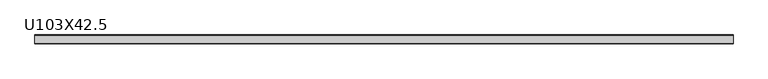
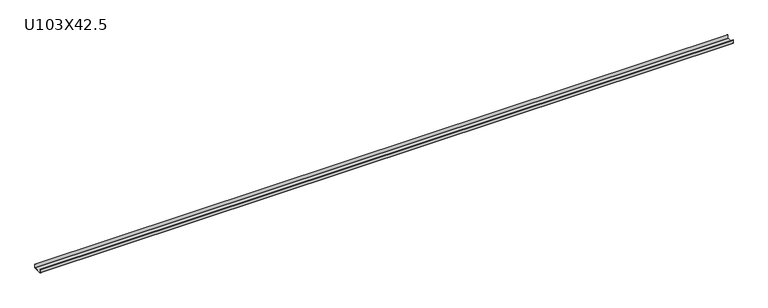
"""IFC4 building model written with IfcOpenShell, lengths in millimetres: beam geometry, U103X42.5."""

import ifcopenshell
import ifcopenshell.guid

model = None  # the IFC model being written
_history = None  # IfcOwnerHistory: only IFC2X3 demands one
_inside = {}  # id of a spatial element -> (the spatial element, [elements in it])
_under = {}  # id of a project, library or spatial element -> (it, [spatial elements below it])
_declared = {}  # id of a project -> (the project, [libraries it declares])
_typed = {}  # id of a type object -> (the type object, [elements of that type])
_made_of = {}  # id of a material, layer set ... -> (it, [elements and type objects made of it])


def new_model(schema):
    """Start an empty IFC model of exactly this schema.

    Asked for "IFC4X3", IfcOpenShell would pick the latest addendum, in which some entities
    have other attributes; the version numbers below select the first issue.
    IFC2X3 requires an IfcOwnerHistory on every rooted entity: one is made here for all.
    """
    global model, _history
    if schema == "IFC4X3":
        model = ifcopenshell.file(schema_version=(4, 3, 0, 0))
    else:
        model = ifcopenshell.file(schema=schema)
    _inside.clear()
    _under.clear()
    _declared.clear()
    _typed.clear()
    _made_of.clear()
    _history = None
    if model.schema == "IFC2X3":
        org = make("IfcOrganization", Name="unknown")
        user = make(
            "IfcPersonAndOrganization",
            ThePerson=make("IfcPerson", FamilyName="unknown"),
            TheOrganization=org,
        )
        app = make(
            "IfcApplication",
            ApplicationDeveloper=org,
            Version="unknown",
            ApplicationFullName="unknown",
            ApplicationIdentifier="unknown",
        )
        _history = make(
            "IfcOwnerHistory",
            OwningUser=user,
            OwningApplication=app,
            ChangeAction="ADDED",
            CreationDate=0,
        )
    return model


def make(cls, **values):
    """One entity of the class cls with the attributes given. An attribute that is None is left unset."""
    return model.create_entity(
        cls, **{name: value for name, value in values.items() if value is not None}
    )


def rooted(cls, **values):
    """An entity with a GlobalId (a new one), such as an element, a storey or a relation."""
    return make(cls, GlobalId=ifcopenshell.guid.new(), OwnerHistory=_history, **values)


def si_unit(unit_type, name, prefix=None):
    """IfcSIUnit, for example si_unit("LENGTHUNIT", "METRE", prefix="MILLI")."""
    return make("IfcSIUnit", UnitType=unit_type, Prefix=prefix, Name=name)


def assignment(units):
    """IfcUnitAssignment: the units of a project."""
    return None if units is None else make("IfcUnitAssignment", Units=units)


def point(xyz):
    """IfcCartesianPoint."""
    return None if xyz is None else make("IfcCartesianPoint", Coordinates=xyz)


def direction(xyz):
    """IfcDirection."""
    return None if xyz is None else make("IfcDirection", DirectionRatios=xyz)


def frame(location, z_axis=None, x_axis=None):
    """IfcAxis2Placement3D, a coordinate frame: its origin and axes. An axis left out is left unset."""
    return make(
        "IfcAxis2Placement3D",
        Location=point(location),
        Axis=direction(z_axis),
        RefDirection=direction(x_axis),
    )


def frame_2d(location, x_axis=None):
    """IfcAxis2Placement2D, a coordinate frame in the plane: its origin and x axis."""
    return make(
        "IfcAxis2Placement2D", Location=point(location), RefDirection=direction(x_axis)
    )


def origin():
    """The frame at (0, 0, 0) with its axes left unset."""
    return frame((0.0, 0.0, 0.0))


def place(relative_to, where):
    """IfcLocalPlacement: puts the frame where relative to a parent placement (None: the world)."""
    return make(
        "IfcLocalPlacement", PlacementRelTo=relative_to, RelativePlacement=where
    )


def context(
    kind, dimensions, precision=None, world=None, true_north=None, identifier=None
):
    """IfcGeometricRepresentationContext, for example the 3D "Model" context."""
    return make(
        "IfcGeometricRepresentationContext",
        ContextIdentifier=identifier,
        ContextType=kind,
        CoordinateSpaceDimension=dimensions,
        Precision=precision,
        WorldCoordinateSystem=world,
        TrueNorth=true_north,
    )


def project(units=None, contexts=None):
    """IfcProject with its units and contexts."""
    return rooted(
        "IfcProject",
        Name="project",
        RepresentationContexts=contexts,
        UnitsInContext=assignment(units),
    )


def spatial(cls, under=None, at=None, **own):
    """A site, building, storey or space (cls), placed at a placement, below another one or the project."""
    s = rooted(cls, ObjectPlacement=at, **own)
    if under is not None:
        _under.setdefault(under.id(), (under, []))[1].append(s)
    return s


def polyline(points):
    """IfcPolyline through the points."""
    return make("IfcPolyline", Points=[point(p) for p in points])


def circle_curve(where, radius):
    """IfcCircle in the frame where."""
    return make("IfcCircle", Position=where, Radius=radius)


def trimmed(basis, trim1, trim2, sense, master):
    """IfcTrimmedCurve: the piece of a basis curve between two trims."""
    return make(
        "IfcTrimmedCurve",
        BasisCurve=basis,
        Trim1=trim1,
        Trim2=trim2,
        SenseAgreement=sense,
        MasterRepresentation=master,
    )


def segment(curve, same_sense, transition):
    """IfcCompositeCurveSegment."""
    return make(
        "IfcCompositeCurveSegment",
        Transition=transition,
        SameSense=same_sense,
        ParentCurve=curve,
    )


def composite_curve(segments, self_intersect=None):
    """IfcCompositeCurve: segments joined end to end."""
    return make("IfcCompositeCurve", Segments=segments, SelfIntersect=self_intersect)


def outline(outer, holes=None, kind="AREA"):
    """IfcArbitraryClosedProfileDef: a profile drawn as a closed curve; with holes, ...WithVoids."""
    if holes is None:
        return make("IfcArbitraryClosedProfileDef", ProfileType=kind, OuterCurve=outer)
    return make(
        "IfcArbitraryProfileDefWithVoids",
        ProfileType=kind,
        OuterCurve=outer,
        InnerCurves=holes,
    )


def extrude(swept, where, along, depth):
    """IfcExtrudedAreaSolid: the profile swept, set in the frame where, extruded along a direction by depth."""
    return make(
        "IfcExtrudedAreaSolid",
        SweptArea=swept,
        Position=where,
        ExtrudedDirection=direction(along),
        Depth=depth,
    )


def shape(context_of_items, identifier, shape_type, items):
    """IfcShapeRepresentation: the items that make up one representation, for example the "Body"."""
    return make(
        "IfcShapeRepresentation",
        ContextOfItems=context_of_items,
        RepresentationIdentifier=identifier,
        RepresentationType=shape_type,
        Items=items,
    )


def source(mapping_origin, context_of_items, identifier, shape_type, items):
    """IfcRepresentationMap: a shape defined once, which mapped items show again and again."""
    return make(
        "IfcRepresentationMap",
        MappingOrigin=mapping_origin,
        MappedRepresentation=shape(context_of_items, identifier, shape_type, items),
    )


def transform(
    local_origin,
    x_axis=None,
    y_axis=None,
    z_axis=None,
    scale=None,
    scale2=None,
    scale3=None,
    uniform=True,
):
    """IfcCartesianTransformationOperator3D, or its non-uniform kind. x_axis, y_axis, z_axis: its Axis1, 2, 3."""
    if uniform:
        return make(
            "IfcCartesianTransformationOperator3D",
            Axis1=direction(x_axis),
            Axis2=direction(y_axis),
            LocalOrigin=point(local_origin),
            Scale=scale,
            Axis3=direction(z_axis),
        )
    return make(
        "IfcCartesianTransformationOperator3DnonUniform",
        Axis1=direction(x_axis),
        Axis2=direction(y_axis),
        LocalOrigin=point(local_origin),
        Scale=scale,
        Axis3=direction(z_axis),
        Scale2=scale2,
        Scale3=scale3,
    )


def mapped(mapping_source, mapping_target):
    """IfcMappedItem: shows the shape of a source again, moved by a transform."""
    return make(
        "IfcMappedItem", MappingSource=mapping_source, MappingTarget=mapping_target
    )


def made_of(thing, what):
    """Note that an element or type object is made of a material, layer set ...; save() writes the relation."""
    if what is not None:
        _made_of.setdefault(what.id(), (what, []))[1].append(thing)
    return thing


def element(
    cls,
    number,
    at=None,
    inside=None,
    cuts=None,
    type_object=None,
    material=None,
    context=None,
    identifier="Body",
    shape_type=None,
    held_by="IfcProductDefinitionShape",
    body=None,
    shapes=None,
    **own,
):
    """One element of the class cls, such as IfcWall. Its Tag is "e" and its number.

    at: its placement. inside: the storey or other place that contains it. cuts: it is an
    opening in that element (IfcRelVoidsElement). A single representation is given by context,
    identifier, shape_type and body (its items); several are given by shapes. held_by: the class
    of the entity that holds the representations. save() writes the other relations.
    """
    e = rooted(cls, Tag="e%d" % number, ObjectPlacement=at, **own)
    if body is not None:
        shapes = [shape(context, identifier, shape_type, body)]
    if shapes is not None:
        e.Representation = make(held_by, Representations=shapes)
    if inside is not None:
        _inside.setdefault(inside.id(), (inside, []))[1].append(e)
    if cuts is not None:
        rooted(
            "IfcRelVoidsElement", RelatingBuildingElement=cuts, RelatedOpeningElement=e
        )
    if type_object is not None:
        _typed.setdefault(type_object.id(), (type_object, []))[1].append(e)
    return made_of(e, material)


def aggregate(whole, parts):
    """IfcRelAggregates: a whole, such as a stair, and the parts it consists of."""
    return rooted("IfcRelAggregates", RelatingObject=whole, RelatedObjects=parts)


def save(model, path):
    """Write the relations noted so far, then the file.

    IfcRelAggregates (storeys below a building ...), IfcRelContainedInSpatialStructure (elements
    in a storey), IfcRelDefinesByType, IfcRelAssociatesMaterial and IfcRelDeclares: one each for
    every whole, place, type object, material and project.
    """
    for whole, parts in _under.values():
        aggregate(whole, parts)
    for where, things in _inside.values():
        rooted(
            "IfcRelContainedInSpatialStructure",
            RelatedElements=things,
            RelatingStructure=where,
        )
    for kind, things in _typed.values():
        rooted("IfcRelDefinesByType", RelatedObjects=things, RelatingType=kind)
    for what, things in _made_of.values():
        rooted("IfcRelAssociatesMaterial", RelatedObjects=things, RelatingMaterial=what)
    for by, libraries in _declared.values():
        rooted("IfcRelDeclares", RelatingContext=by, RelatedDefinitions=libraries)
    model.write(path)


def u103x42_5_8788abce(model_context):
    return source(origin(), model_context, "Body", "SweptSolid", [
        extrude(outline(composite_curve([segment(trimmed(circle_curve(frame_2d((-48.5, 3.0)), 3.0), [point((-48.5, 0.0))], [point((-51.5, 3.0))], False, "CARTESIAN"), True, "CONTINUOUS"), segment(polyline([(-51.5, 3.0), (-51.5, 42.5), (-50.0, 42.5), (-50.0, 3.0)]), True, "CONTINUOUS"), segment(trimmed(circle_curve(frame_2d((-48.5, 3.0)), 1.5), [point((-50.0, 3.0))], [point((-48.5, 1.5))], True, "CARTESIAN"), True, "CONTINUOUS"), segment(polyline([(-48.5, 1.5), (48.5, 1.5)]), True, "CONTINUOUS"), segment(trimmed(circle_curve(frame_2d((48.5, 3.0)), 1.5), [point((48.5, 1.5))], [point((50.0, 3.0))], True, "CARTESIAN"), True, "CONTINUOUS"), segment(polyline([(50.0, 3.0), (50.0, 42.5), (51.5, 42.5), (51.5, 3.0)]), True, "CONTINUOUS"), segment(trimmed(circle_curve(frame_2d((48.5, 3.0)), 3.0), [point((51.5, 3.0))], [point((48.5, 0.0))], False, "CARTESIAN"), True, "CONTINUOUS"), segment(polyline([(48.5, 0.0), (-48.5, 0.0)]), True, "CONTINUOUS")], self_intersect=False)), frame((-3976.0, 0.0, 0.0), z_axis=(1.0, 0.0, 0.0), x_axis=(0.0, 1.0, 0.0)), (0.0, 0.0, 1.0), 7952.0),
    ])


if __name__ == "__main__":
    model = new_model("IFC4")
    model_context = context("Model", 3, world=origin())
    ifc_project = project(units=[si_unit("LENGTHUNIT", "METRE", prefix="MILLI")], contexts=[model_context])
    site = spatial("IfcSite", under=ifc_project)
    building = spatial("IfcBuilding", under=site)
    placement = place(None, origin())
    u103x42_5_shape = u103x42_5_8788abce(model_context)
    element("IfcBeam", 1, ObjectType="U103X42.5", at=placement, inside=building, context=model_context, shape_type="MappedRepresentation", body=[
        mapped(u103x42_5_shape, transform((0.0, 0.0, 0.0), x_axis=(1.0, 0.0, 0.0), y_axis=(0.0, 1.0, 0.0), z_axis=(0.0, 0.0, 1.0))),
    ])
    save(model, "model.ifc")
